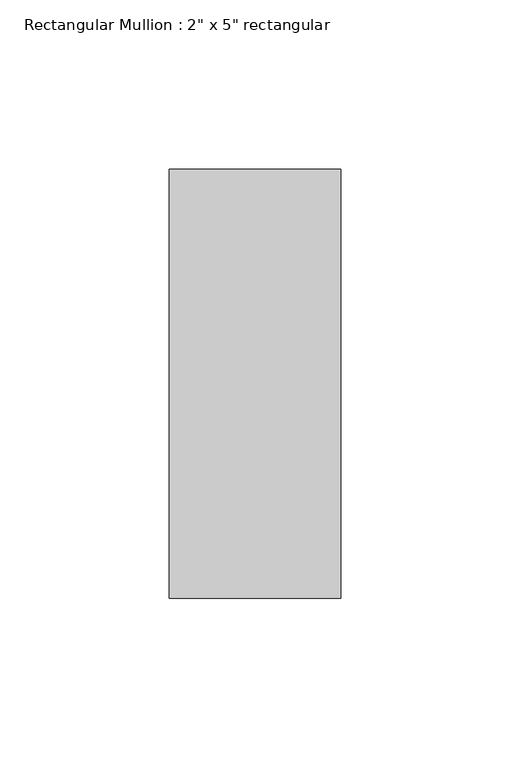
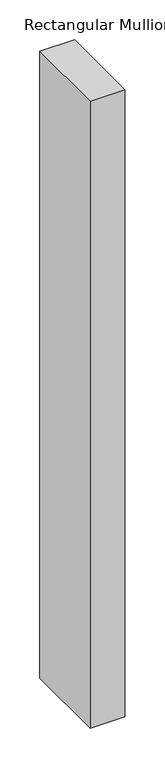
"""IFC4 building model written with IfcOpenShell, lengths in millimetres: member geometry."""

from ifc_helpers import new_model, si_unit, frame, origin, place, context, project, spatial, polyline, outline, extrude, source, transform, mapped, element, save


def member_28184bf5(model_context):
    return source(origin(), model_context, "Body", "SweptSolid", [
        extrude(outline(polyline([(0.0, 63.5), (0.0, -63.5), (-50.8, -63.5), (-50.8, 63.5), (0.0, 63.5)])), frame((0.0, 0.0, -965.2), z_axis=(0.0, 0.0, 1.0), x_axis=(1.0, 0.0, 0.0)), (0.0, 0.0, 1.0), 965.2),
    ])


if __name__ == "__main__":
    model = new_model("IFC4")
    model_context = context("Model", 3, world=origin())
    ifc_project = project(units=[si_unit("LENGTHUNIT", "METRE", prefix="MILLI")], contexts=[model_context])
    site = spatial("IfcSite", under=ifc_project)
    building = spatial("IfcBuilding", under=site)
    placement = place(None, origin())
    member_shape = member_28184bf5(model_context)
    element("IfcMember", 1, ObjectType="Rectangular Mullion : 2\" x 5\" rectangular", at=placement, inside=building, context=model_context, shape_type="MappedRepresentation", body=[
        mapped(member_shape, transform((0.0, 0.0, 0.0), x_axis=(1.0, 0.0, 0.0), y_axis=(0.0, 1.0, 0.0), z_axis=(0.0, 0.0, 1.0))),
    ])
    save(model, "model.ifc")
